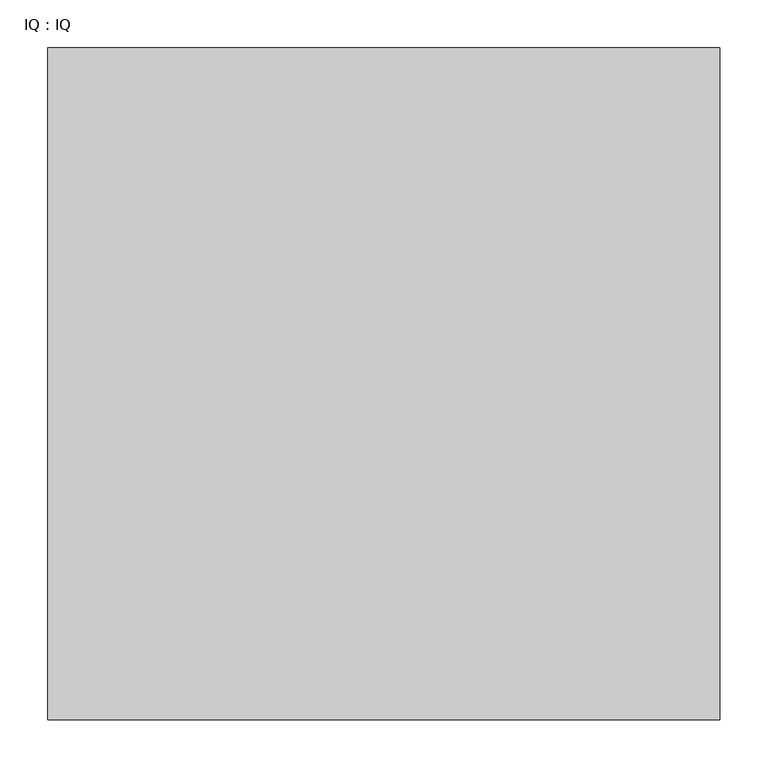
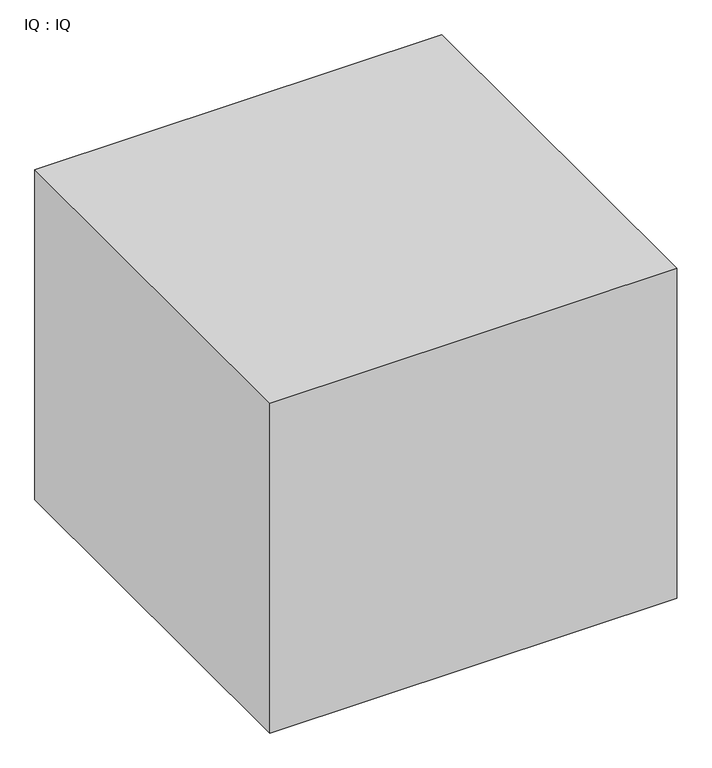
"""IFC4 building model written with IfcOpenShell, lengths in millimetres: proxy geometry, IQ : IQ."""

from ifc_helpers import new_model, si_unit, frame, origin, place, context, project, spatial, polyline, outline, extrude, source, transform, mapped, element, save


def iq_iq_9b9fc9c0(model_context):
    return source(origin(), model_context, "Body", "SweptSolid", [
        extrude(outline(polyline([(700.0, 700.0), (700.0, 0.0), (0.0, 0.0), (0.0, 700.0), (700.0, 700.0)])), frame((0.0, 0.0, 400.0), z_axis=(0.0, 0.0, 1.0), x_axis=(1.0, 0.0, 0.0)), (0.0, 0.0, 1.0), 600.0),
    ])


if __name__ == "__main__":
    model = new_model("IFC4")
    model_context = context("Model", 3, world=origin())
    ifc_project = project(units=[si_unit("LENGTHUNIT", "METRE", prefix="MILLI")], contexts=[model_context])
    site = spatial("IfcSite", under=ifc_project)
    building = spatial("IfcBuilding", under=site)
    placement = place(None, origin())
    iq_iq_shape = iq_iq_9b9fc9c0(model_context)
    element("IfcBuildingElementProxy", 1, Name="IQ : IQ", ObjectType="IQ : IQ", at=placement, inside=building, context=model_context, shape_type="MappedRepresentation", body=[
        mapped(iq_iq_shape, transform((0.0, 0.0, 0.0), x_axis=(1.0, 0.0, 0.0), y_axis=(0.0, 1.0, 0.0), z_axis=(0.0, 0.0, 1.0))),
    ])
    save(model, "model.ifc")
